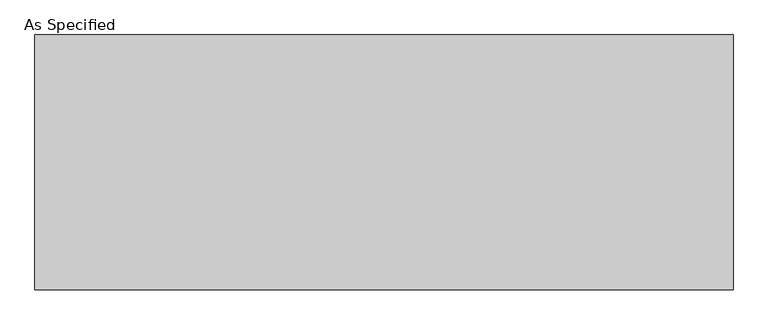
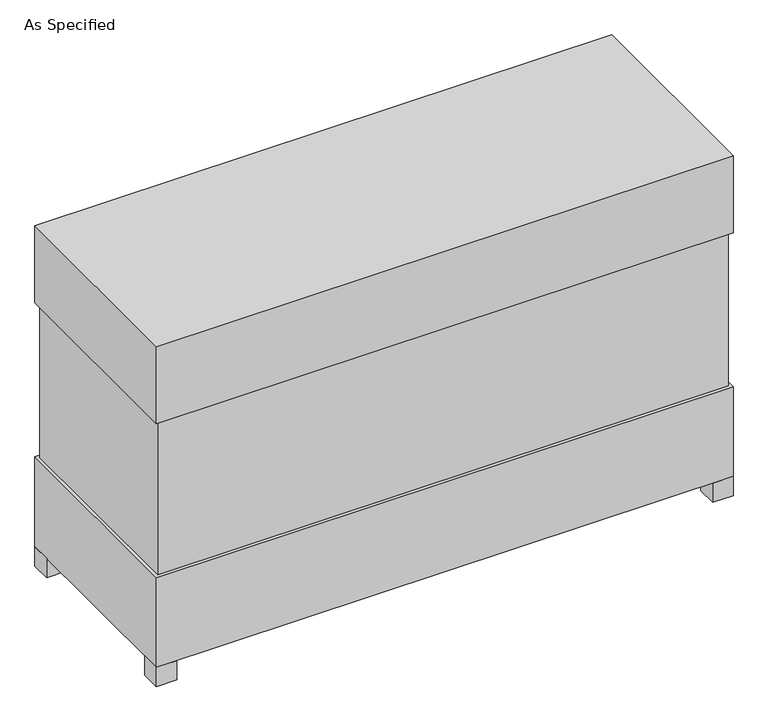
"""IFC4 building model written with IfcOpenShell, lengths in millimetres: proxy geometry, As Specified."""

from ifc_helpers import new_model, si_unit, frame, origin, origin_with_axes, place, context, project, spatial, polyline, outline, extrude, source, transform, mapped, element, save


def as_specified_a0a35518(model_context):
    return source(origin(), model_context, "Body", "SweptSolid", [
        extrude(outline(polyline([(1068.3875, 382.5875), (1068.3875, -382.5875), (-1068.3875, -382.5875), (-1068.3875, 382.5875), (1068.3875, 382.5875)])), frame((0.0, 0.0, 431.8), z_axis=(0.0, 0.0, 1.0), x_axis=(1.0, 0.0, 0.0)), (0.0, 0.0, 1.0), 609.6),
        extrude(outline(polyline([(1079.5, 393.7), (1079.5, -393.7), (-1079.5, -393.7), (-1079.5, 393.7), (1079.5, 393.7)])), frame((0.0, 0.0, 1041.4), z_axis=(0.0, 0.0, 1.0), x_axis=(1.0, 0.0, 0.0)), (0.0, 0.0, 1.0), 304.8),
        extrude(outline(polyline([(965.2, 228.6), (965.2, 152.4), (889.0, 152.4), (889.0, 228.6), (965.2, 228.6)])), frame((0.0, 0.0, 50.8), z_axis=(0.0, 0.0, 1.0), x_axis=(1.0, 0.0, 0.0)), (0.0, 0.0, 1.0), 25.4),
        extrude(outline(polyline([(965.2, -228.6), (889.0, -228.6), (889.0, -152.4), (965.2, -152.4), (965.2, -228.6)])), frame((0.0, 0.0, 50.8), z_axis=(0.0, 0.0, 1.0), x_axis=(1.0, 0.0, 0.0)), (0.0, 0.0, 1.0), 25.4),
        extrude(outline(polyline([(-1003.3, 393.7), (-1003.3, 317.5), (-1079.5, 317.5), (-1079.5, 393.7), (-1003.3, 393.7)])), origin_with_axes(), (0.0, 0.0, 1.0), 76.2),
        extrude(outline(polyline([(1079.5, 393.7), (1079.5, 317.5), (1003.3, 317.5), (1003.3, 393.7), (1079.5, 393.7)])), origin_with_axes(), (0.0, 0.0, 1.0), 76.2),
        extrude(outline(polyline([(1079.5, -317.5), (1079.5, -393.7), (1003.3, -393.7), (1003.3, -317.5), (1079.5, -317.5)])), origin_with_axes(), (0.0, 0.0, 1.0), 76.2),
        extrude(outline(polyline([(-1003.3, -317.5), (-1003.3, -393.7), (-1079.5, -393.7), (-1079.5, -317.5), (-1003.3, -317.5)])), origin_with_axes(), (0.0, 0.0, 1.0), 76.2),
        extrude(outline(polyline([(1079.5, 393.7), (1079.5, -393.7), (-1079.5, -393.7), (-1079.5, 393.7), (1079.5, 393.7)])), frame((0.0, 0.0, 76.2), z_axis=(0.0, 0.0, 1.0), x_axis=(1.0, 0.0, 0.0)), (0.0, 0.0, 1.0), 355.6),
    ])


if __name__ == "__main__":
    model = new_model("IFC4")
    model_context = context("Model", 3, world=origin())
    ifc_project = project(units=[si_unit("LENGTHUNIT", "METRE", prefix="MILLI")], contexts=[model_context])
    site = spatial("IfcSite", under=ifc_project)
    building = spatial("IfcBuilding", under=site)
    placement = place(None, origin())
    as_specified_shape = as_specified_a0a35518(model_context)
    element("IfcBuildingElementProxy", 1, Name="As Specified", ObjectType="As Specified", at=placement, inside=building, context=model_context, shape_type="MappedRepresentation", body=[
        mapped(as_specified_shape, transform((0.0, 0.0, 0.0), x_axis=(1.0, 0.0, 0.0), y_axis=(0.0, 1.0, 0.0), z_axis=(0.0, 0.0, 1.0))),
    ])
    save(model, "model.ifc")
